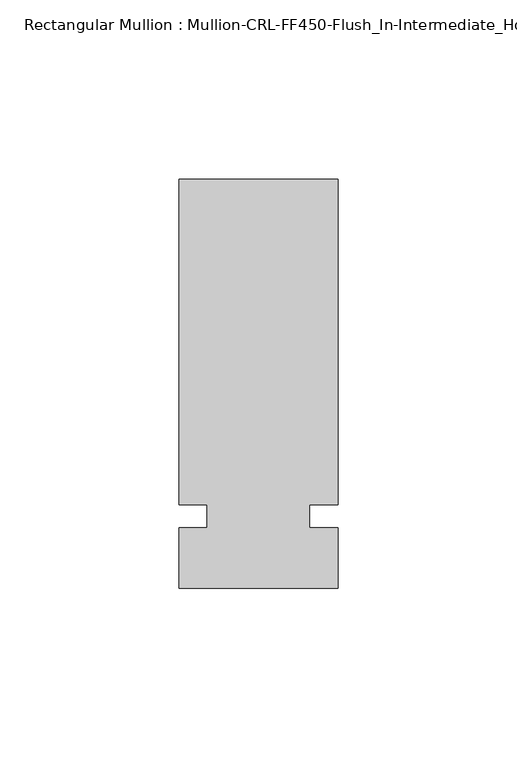
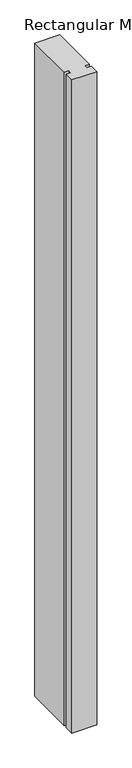
"""IFC4 building model written with IfcOpenShell, lengths in millimetres: member geometry, Rectangular Mullion : Mullion-CRL-FF450-Flush_In-Intermediate_Horizontal."""

from ifc_helpers import new_model, si_unit, frame, origin, place, context, project, spatial, polyline, outline, extrude, source, transform, mapped, element, save


def rectangular_mullion_mullion_crl_ff450_flush_in_intermediate_3e6f0e92(model_context):
    return source(origin(), model_context, "Body", "SweptSolid", [
        extrude(outline(polyline([(-22.2250604, 3.1944088), (-22.2250604, 94.1899366), (22.2249797, 94.1899366), (22.2249797, 3.1944088), (14.2874797, 3.1944088), (14.2874797, -3.1555912), (22.2249797, -3.1555912), (22.2249797, -20.1100649), (-22.2250604, -20.1100649), (-22.2250604, -3.1555912), (-14.2875604, -3.1555912), (-14.2875604, 3.1944088), (-22.2250604, 3.1944088)])), frame((0.0, 0.0, -1231.8998994), z_axis=(0.0, 0.0, 1.0), x_axis=(1.0, 0.0, 0.0)), (0.0, 0.0, 1.0), 1231.8998994),
    ])


if __name__ == "__main__":
    model = new_model("IFC4")
    model_context = context("Model", 3, world=origin())
    ifc_project = project(units=[si_unit("LENGTHUNIT", "METRE", prefix="MILLI")], contexts=[model_context])
    site = spatial("IfcSite", under=ifc_project)
    building = spatial("IfcBuilding", under=site)
    placement = place(None, origin())
    rectangular_mullion_mullion_crl_ff450_flush_in_intermediate_shape = rectangular_mullion_mullion_crl_ff450_flush_in_intermediate_3e6f0e92(model_context)
    element("IfcMember", 1, ObjectType="Rectangular Mullion : Mullion-CRL-FF450-Flush_In-Intermediate_Horizontal", at=placement, inside=building, context=model_context, shape_type="MappedRepresentation", body=[
        mapped(rectangular_mullion_mullion_crl_ff450_flush_in_intermediate_shape, transform((0.0, 0.0, 0.0), x_axis=(1.0, 0.0, 0.0), y_axis=(0.0, 1.0, 0.0), z_axis=(0.0, 0.0, 1.0))),
    ])
    save(model, "model.ifc")
